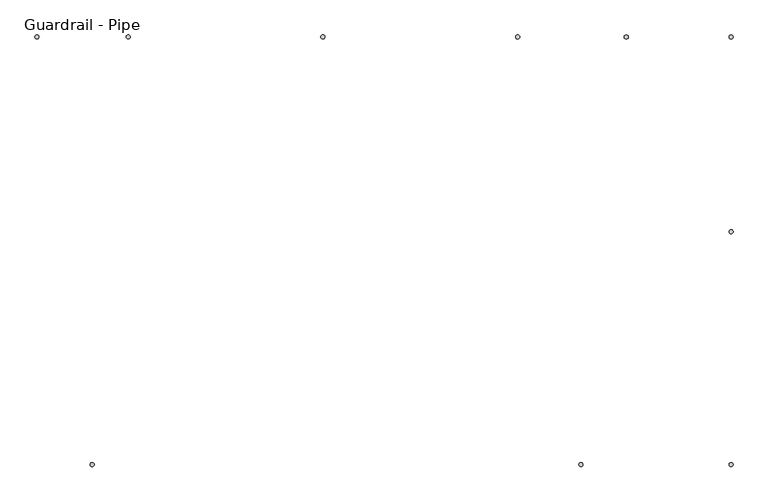
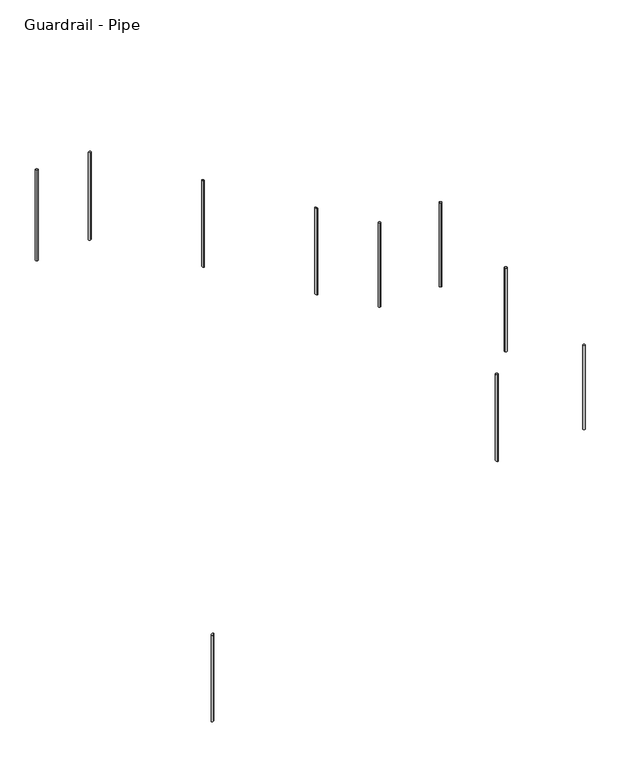
"""IFC4 building model written with IfcOpenShell, lengths in millimetres: railing geometry, Guardrail - Pipe."""

from ifc_helpers import new_model, si_unit, point, frame, frame_2d, origin, place, context, project, spatial, circle_curve, ellipse_curve, trimmed, segment, composite_curve, outline, extrude, source, transform, mapped, element, save
from ifc_brep_helpers import plane_surface, cylinder_surface, advanced_brep


def guardrail_pipe_d5198b72(model_context):
    return source(origin(), model_context, "Body", "SolidModel", [
        extrude(outline(composite_curve([segment(trimmed(circle_curve(frame_2d((6728.7452881, -22302.0340928)), 12.7), [point((6716.0452881, -22302.0340928))], [point((6741.4452881, -22302.0340928))], False, "CARTESIAN"), True, "CONTINUOUS"), segment(trimmed(circle_curve(frame_2d((6728.7452881, -22302.0340928)), 12.7), [point((6741.4452881, -22302.0340928))], [point((6716.0452881, -22302.0340928))], False, "CARTESIAN"), True, "CONTINUOUS")], self_intersect=False)), frame((0.0, 0.0, 2143.5391304), z_axis=(0.0, 0.0, 1.0), x_axis=(1.0, 0.0, 0.0)), (0.0, 0.0, 1.0), 952.5),
        advanced_brep(
        [(5392.1904629, -21070.1340928, 3502.9230529), (5392.1904629, -21095.5340928, 3502.9230529), (5392.1904629, -21095.5340928, 2520.2106626), (5392.1904629, -21070.1340928, 2520.2106626)],
        [
            (0, 1, ellipse_curve(frame((5392.1904629, -21082.8340928, 3502.9230529), z_axis=(-0.5192949402865098, 0.0, -0.8545950883271154), x_axis=(-0.8545950883271154, 0.0, 0.5192949402865099)), 14.860839, 12.7)),
            (1, 2),
            (2, 3, ellipse_curve(frame((5392.1904629, -21082.8340928, 2520.2106626), z_axis=(0.5186838304271257, 0.0, 0.8549661303545566), x_axis=(-0.8549661303545566, 0.0, 0.5186838304271257)), 14.8543896, 12.7)),
            (3, 0),
            (3, 2, ellipse_curve(frame((5392.1904629, -21082.8340928, 2520.2106626), z_axis=(0.5186838304271257, 0.0, 0.8549661303545566), x_axis=(-0.8549661303545566, 0.0, 0.5186838304271257)), 14.8543896, 12.7)),
            (1, 0, ellipse_curve(frame((5392.1904629, -21082.8340928, 3502.9230529), z_axis=(-0.5192949402865098, 0.0, -0.8545950883271154), x_axis=(-0.8545950883271154, 0.0, 0.5192949402865099)), 14.860839, 12.7)),
        ],
        [
            cylinder_surface(frame((5392.1904629, -21082.8340928, 2291.6106626), z_axis=(0.0, 0.0, 1.0), x_axis=(0.0, -1.0, 0.0)), 12.7),
            plane_surface(frame((5417.5904629, -21108.2340928, 3487.4887359), z_axis=(0.5192949402865098, 0.0, 0.8545950883271154), x_axis=(0.0, 1.0, 0.0))),
            plane_surface(frame((5366.7904629, -21108.2340928, 2535.620126), z_axis=(-0.5186838304271257, 0.0, -0.8549661303545566), x_axis=(0.0, 1.0, 0.0))),
        ],
        [
            (0, [[1, 2, 3, 4]]),
            (0, [[5, -2, 6, -4]]),
            (1, [[-6, -1]]),
            (2, [[-5, -3]]),
        ],
    ),
        advanced_brep(
        [(4172.9904629, -21070.1340928, 4243.770268), (4172.9904629, -21095.5340928, 4243.770268), (4172.9904629, -21095.5340928, 3259.8649058), (4172.9904629, -21070.1340928, 3259.8649058)],
        [
            (0, 1, ellipse_curve(frame((4172.9904629, -21082.8340928, 4243.770268), z_axis=(-0.5192949402865082, 0.0, -0.8545950883271165), x_axis=(-0.8545950883271166, 0.0, 0.5192949402865079)), 14.860839, 12.7)),
            (1, 2),
            (2, 3, ellipse_curve(frame((4172.9904629, -21082.8340928, 3259.8649058), z_axis=(0.5186838304271257, 0.0, 0.8549661303545566), x_axis=(-0.8549661303545566, 0.0, 0.5186838304271257)), 14.8543896, 12.7)),
            (3, 0),
            (3, 2, ellipse_curve(frame((4172.9904629, -21082.8340928, 3259.8649058), z_axis=(0.5186838304271257, 0.0, 0.8549661303545566), x_axis=(-0.8549661303545566, 0.0, 0.5186838304271257)), 14.8543896, 12.7)),
            (1, 0, ellipse_curve(frame((4172.9904629, -21082.8340928, 4243.770268), z_axis=(-0.5192949402865082, 0.0, -0.8545950883271165), x_axis=(-0.8545950883271166, 0.0, 0.5192949402865079)), 14.860839, 12.7)),
        ],
        [
            cylinder_surface(frame((4172.9904629, -21082.8340928, 3031.2649058), z_axis=(0.0, 0.0, 1.0), x_axis=(0.0, -1.0, 0.0)), 12.7),
            plane_surface(frame((4198.3904629, -21108.2340928, 4228.335951), z_axis=(0.5192949402865082, 0.0, 0.8545950883271165), x_axis=(0.0, 1.0, 0.0))),
            plane_surface(frame((4147.5904629, -21108.2340928, 3275.2743692), z_axis=(-0.5186838304271257, 0.0, -0.8549661303545566), x_axis=(0.0, 1.0, 0.0))),
        ],
        [
            (0, [[1, 2, 3, 4]]),
            (0, [[5, -2, 6, -4]]),
            (1, [[-6, -1]]),
            (2, [[-5, -3]]),
        ],
    ),
        advanced_brep(
        [(5788.9452881, -23772.7087769, 3096.0391304), (5788.9452881, -23747.3087769, 3096.0391304), (5788.9452881, -23747.3087769, 2108.1672959), (5788.9452881, -23772.7087769, 2108.1672959)],
        [
            (0, 1, circle_curve(frame((5788.9452881, -23760.0087769, 3096.0391304), z_axis=(0.0, 0.0, -1.0), x_axis=(0.0, 1.0, 0.0)), 12.7)),
            (1, 2),
            (2, 3, ellipse_curve(frame((5788.9452881, -23760.0087769, 2108.1672959), z_axis=(0.5248480775957495, 0.0, 0.8511959207162862), x_axis=(-0.8511959207162862, 0.0, 0.5248480775957493)), 14.9201843, 12.7)),
            (3, 0),
            (3, 2, ellipse_curve(frame((5788.9452881, -23760.0087769, 2108.1672959), z_axis=(0.5248480775957495, 0.0, 0.8511959207162862), x_axis=(-0.8511959207162862, 0.0, 0.5248480775957493)), 14.9201843, 12.7)),
            (1, 0, circle_curve(frame((5788.9452881, -23760.0087769, 3096.0391304), z_axis=(0.0, 0.0, -1.0), x_axis=(0.0, 1.0, 0.0)), 12.7)),
        ],
        [
            cylinder_surface(frame((5788.9452881, -23760.0087769, 1879.5672959), z_axis=(0.0, 0.0, 1.0), x_axis=(0.0, 1.0, 0.0)), 12.7),
            plane_surface(frame((5763.5452881, -23734.6087769, 3096.0391304), z_axis=(0.0, 0.0, 1.0), x_axis=(0.0, -1.0, 0.0))),
            plane_surface(frame((5814.3452881, -23734.6087769, 2092.5056358), z_axis=(-0.5248480775957495, 0.0, -0.8511959207162862), x_axis=(0.0, -1.0, 0.0))),
        ],
        [
            (0, [[1, 2, 3, 4]]),
            (0, [[5, -2, 6, -4]]),
            (1, [[-6, -1]]),
            (2, [[-5, -3]]),
        ],
    ),
        extrude(outline(composite_curve([segment(trimmed(circle_curve(frame_2d((6728.7452881, -23760.0087769)), 12.7), [point((6716.0452881, -23760.0087769))], [point((6741.4452881, -23760.0087769))], False, "CARTESIAN"), True, "CONTINUOUS"), segment(trimmed(circle_curve(frame_2d((6728.7452881, -23760.0087769)), 12.7), [point((6741.4452881, -23760.0087769))], [point((6716.0452881, -23760.0087769))], False, "CARTESIAN"), True, "CONTINUOUS")], self_intersect=False)), frame((0.0, 0.0, 2143.5391304), z_axis=(0.0, 0.0, 1.0), x_axis=(1.0, 0.0, 0.0)), (0.0, 0.0, 1.0), 952.5),
        extrude(outline(composite_curve([segment(trimmed(circle_curve(frame_2d((6728.7452881, -21082.8340928)), 12.7), [point((6728.7452881, -21095.5340928))], [point((6728.7452881, -21070.1340928))], False, "CARTESIAN"), True, "CONTINUOUS"), segment(trimmed(circle_curve(frame_2d((6728.7452881, -21082.8340928)), 12.7), [point((6728.7452881, -21070.1340928))], [point((6728.7452881, -21095.5340928))], False, "CARTESIAN"), True, "CONTINUOUS")], self_intersect=False)), frame((0.0, 0.0, 2143.5391304), z_axis=(0.0, 0.0, 1.0), x_axis=(1.0, 0.0, 0.0)), (0.0, 0.0, 1.0), 952.5),
        extrude(outline(composite_curve([segment(trimmed(circle_curve(frame_2d((6072.4607706, -21082.8340928)), 12.7), [point((6072.4607706, -21095.5340928))], [point((6072.4607706, -21070.1340928))], False, "CARTESIAN"), True, "CONTINUOUS"), segment(trimmed(circle_curve(frame_2d((6072.4607706, -21082.8340928)), 12.7), [point((6072.4607706, -21070.1340928))], [point((6072.4607706, -21095.5340928))], False, "CARTESIAN"), True, "CONTINUOUS")], self_intersect=False)), frame((0.0, 0.0, 2143.5391304), z_axis=(0.0, 0.0, 1.0), x_axis=(1.0, 0.0, 0.0)), (0.0, 0.0, 1.0), 952.5),
        advanced_brep(
        [(2953.7904629, -21070.1340928, 4991.1), (2953.7904629, -21095.5340928, 4991.1), (2953.7904629, -21095.5340928, 3999.5191489), (2953.7904629, -21070.1340928, 3999.5191489)],
        [
            (0, 1, circle_curve(frame((2953.7904629, -21082.8340928, 4991.1), z_axis=(0.0, 0.0, -1.0), x_axis=(0.0, -1.0, 0.0)), 12.7)),
            (1, 2),
            (2, 3, ellipse_curve(frame((2953.7904629, -21082.8340928, 3999.5191489), z_axis=(-0.5186838304271257, 0.0, 0.8549661303545566), x_axis=(0.8549661303545566, 0.0, 0.5186838304271257)), 14.8543896, 12.7)),
            (3, 0),
            (3, 2, ellipse_curve(frame((2953.7904629, -21082.8340928, 3999.5191489), z_axis=(-0.5186838304271257, 0.0, 0.8549661303545566), x_axis=(0.8549661303545566, 0.0, 0.5186838304271257)), 14.8543896, 12.7)),
            (1, 0, circle_curve(frame((2953.7904629, -21082.8340928, 4991.1), z_axis=(0.0, 0.0, -1.0), x_axis=(0.0, -1.0, 0.0)), 12.7)),
        ],
        [
            cylinder_surface(frame((2953.7904629, -21082.8340928, 3770.9191489), z_axis=(0.0, 0.0, 1.0), x_axis=(0.0, -1.0, 0.0)), 12.7),
            plane_surface(frame((2979.1904629, -21108.2340928, 4991.1), z_axis=(0.0, 0.0, 1.0), x_axis=(0.0, 1.0, 0.0))),
            plane_surface(frame((2928.3904629, -21108.2340928, 3984.1096855), z_axis=(0.5186838304271257, 0.0, -0.8549661303545566), x_axis=(0.0, 1.0, 0.0))),
        ],
        [
            (0, [[1, 2, 3, 4]]),
            (0, [[5, -2, 6, -4]]),
            (1, [[-6, -1]]),
            (2, [[-5, -3]]),
        ],
    ),
        advanced_brep(
        [(2728.2452881, -23772.7087769, 1202.1485381), (2728.2452881, -23747.3087769, 1202.1485381), (2728.2452881, -23747.3087769, 220.9372564), (2728.2452881, -23772.7087769, 220.9372564)],
        [
            (0, 1, ellipse_curve(frame((2728.2452881, -23760.0087769, 1202.1485381), z_axis=(0.5248480775957521, 0.0, -0.8511959207162847), x_axis=(0.8511959207162847, 0.0, 0.5248480775957517)), 14.9201843, 12.7)),
            (1, 2),
            (2, 3, ellipse_curve(frame((2728.2452881, -23760.0087769, 220.9372564), z_axis=(-0.5248480775957494, 0.0, 0.8511959207162864), x_axis=(0.8511959207162864, 0.0, 0.5248480775957489)), 14.9201843, 12.7)),
            (3, 0),
            (3, 2, ellipse_curve(frame((2728.2452881, -23760.0087769, 220.9372564), z_axis=(-0.5248480775957494, 0.0, 0.8511959207162864), x_axis=(0.8511959207162864, 0.0, 0.5248480775957489)), 14.9201843, 12.7)),
            (1, 0, ellipse_curve(frame((2728.2452881, -23760.0087769, 1202.1485381), z_axis=(0.5248480775957521, 0.0, -0.8511959207162847), x_axis=(0.8511959207162847, 0.0, 0.5248480775957517)), 14.9201843, 12.7)),
        ],
        [
            cylinder_surface(frame((2728.2452881, -23760.0087769, -7.6627436), z_axis=(0.0, 0.0, 1.0), x_axis=(0.0, 1.0, 0.0)), 12.7),
            plane_surface(frame((2702.8452881, -23734.6087769, 1186.486878), z_axis=(-0.5248480775957521, 0.0, 0.8511959207162847), x_axis=(0.0, -1.0, 0.0))),
            plane_surface(frame((2753.6452881, -23734.6087769, 236.5989164), z_axis=(0.5248480775957494, 0.0, -0.8511959207162864), x_axis=(0.0, -1.0, 0.0))),
        ],
        [
            (0, [[1, 2, 3, 4]]),
            (0, [[5, -2, 6, -4]]),
            (1, [[-6, -1]]),
            (2, [[-5, -3]]),
        ],
    ),
        extrude(outline(composite_curve([segment(trimmed(circle_curve(frame_2d((2382.2904629, -21082.8340928)), 12.7), [point((2382.2904629, -21095.5340928))], [point((2382.2904629, -21070.1340928))], False, "CARTESIAN"), True, "CONTINUOUS"), segment(trimmed(circle_curve(frame_2d((2382.2904629, -21082.8340928)), 12.7), [point((2382.2904629, -21070.1340928))], [point((2382.2904629, -21095.5340928))], False, "CARTESIAN"), True, "CONTINUOUS")], self_intersect=False)), frame((0.0, 0.0, 3962.4), z_axis=(0.0, 0.0, 1.0), x_axis=(1.0, 0.0, 0.0)), (0.0, 0.0, 1.0), 1028.7),
    ])


if __name__ == "__main__":
    model = new_model("IFC4")
    model_context = context("Model", 3, world=origin())
    ifc_project = project(units=[si_unit("LENGTHUNIT", "METRE", prefix="MILLI")], contexts=[model_context])
    site = spatial("IfcSite", under=ifc_project)
    building = spatial("IfcBuilding", under=site)
    placement = place(None, origin())
    guardrail_pipe_shape = guardrail_pipe_d5198b72(model_context)
    element("IfcRailing", 1, ObjectType="Guardrail - Pipe", at=placement, inside=building, context=model_context, shape_type="MappedRepresentation", body=[
        mapped(guardrail_pipe_shape, transform((0.0, 0.0, 0.0), x_axis=(1.0, 0.0, 0.0), y_axis=(0.0, 1.0, 0.0), z_axis=(0.0, 0.0, 1.0))),
    ])
    save(model, "model.ifc")
